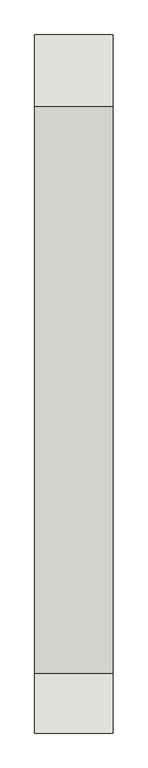
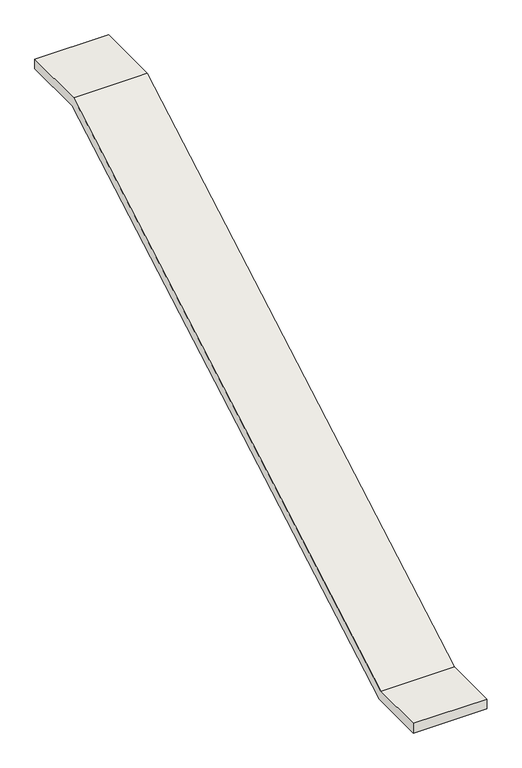
"""IFC4 building model written with IfcOpenShell, lengths in millimetres: wall geometry."""

from ifc_helpers import new_model, si_unit, frame, origin, place, context, project, spatial, polyline, outline, extrude, source, transform, mapped, element, save


def wall_94a0adc8(model_context):
    return source(origin(), model_context, "Body", "SweptSolid", [
        extrude(outline(polyline([(114877.7930237, 7802.9706524), (114877.7930237, 7757.8976883), (114594.6617391, 7757.8976883), (112251.5395161, 6420.0), (111992.6174623, 6420.0), (111992.6174623, 6465.0729641), (112239.5777303, 6465.0729641), (114582.6999532, 7802.9706524), (114877.7930237, 7802.9706524)])), frame((6825.9811333, 0.0, 0.0), z_axis=(1.0, 0.0, 0.0), x_axis=(0.0, 1.0, 0.0)), (0.0, 0.0, 1.0), 323.8165503),
    ])


if __name__ == "__main__":
    model = new_model("IFC4")
    model_context = context("Model", 3, world=origin())
    ifc_project = project(units=[si_unit("LENGTHUNIT", "METRE", prefix="MILLI")], contexts=[model_context])
    site = spatial("IfcSite", under=ifc_project)
    building = spatial("IfcBuilding", under=site)
    placement = place(None, origin())
    wall_shape = wall_94a0adc8(model_context)
    element("IfcWall", 1, at=placement, inside=building, context=model_context, shape_type="MappedRepresentation", body=[
        mapped(wall_shape, transform((0.0, 0.0, 0.0), x_axis=(1.0, 0.0, 0.0), y_axis=(0.0, 1.0, 0.0), z_axis=(0.0, 0.0, 1.0))),
    ])
    save(model, "model.ifc")
